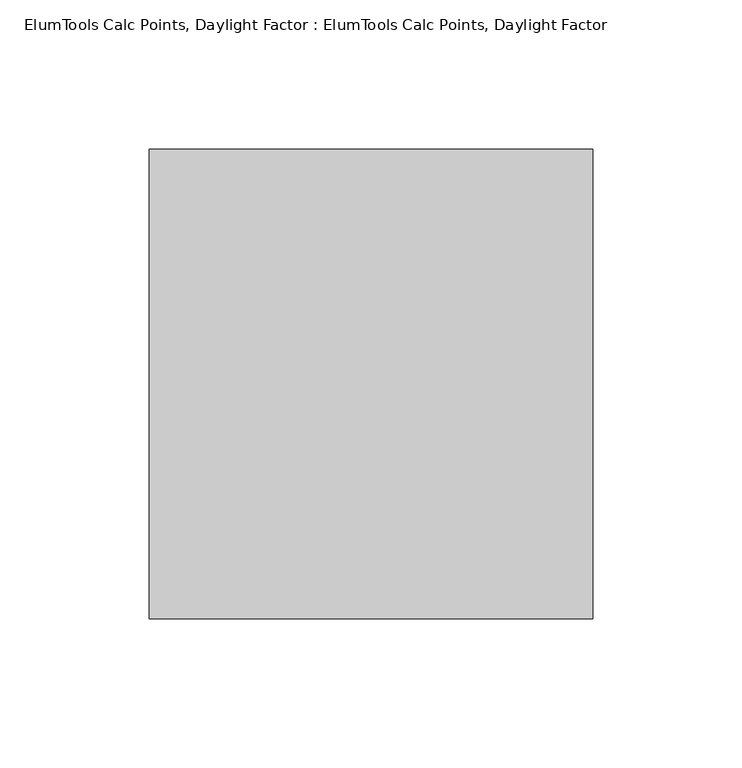
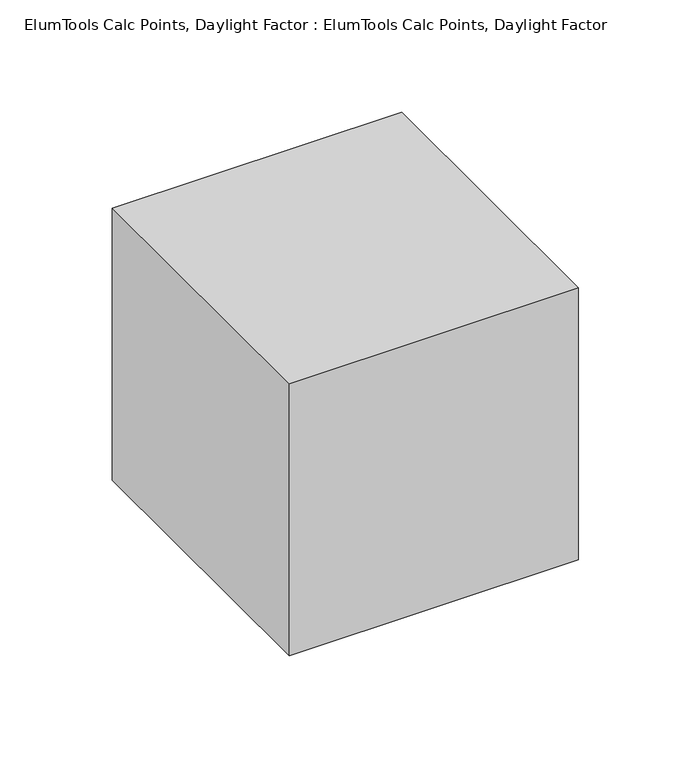
"""IFC4 building model written with IfcOpenShell, lengths in millimetres: proxy geometry, ElumTools Calc Points, Daylight Factor : ElumTools Calc Points, Daylight Factor."""

from ifc_helpers import new_model, si_unit, origin, origin_with_axes, place, context, project, spatial, polyline, outline, extrude, source, transform, mapped, element, save


def elumtools_calc_points_daylight_factor_elumtools_calc_points_47fc0e64(model_context):
    return source(origin(), model_context, "Body", "SweptSolid", [
        extrude(outline(polyline([(-74.3711584, -78.737966), (-74.3711584, 78.737966), (74.3711584, 78.737966), (74.3711584, -78.737966), (-74.3711584, -78.737966)])), origin_with_axes(), (0.0, 0.0, 1.0), 147.828),
    ])


if __name__ == "__main__":
    model = new_model("IFC4")
    model_context = context("Model", 3, world=origin())
    ifc_project = project(units=[si_unit("LENGTHUNIT", "METRE", prefix="MILLI")], contexts=[model_context])
    site = spatial("IfcSite", under=ifc_project)
    building = spatial("IfcBuilding", under=site)
    placement = place(None, origin())
    elumtools_calc_points_daylight_factor_elumtools_calc_points_shape = elumtools_calc_points_daylight_factor_elumtools_calc_points_47fc0e64(model_context)
    element("IfcBuildingElementProxy", 1, Name="ElumTools Calc Points, Daylight Factor : ElumTools Calc Points, Daylight Factor", ObjectType="ElumTools Calc Points, Daylight Factor : ElumTools Calc Points, Daylight Factor", at=placement, inside=building, context=model_context, shape_type="MappedRepresentation", body=[
        mapped(elumtools_calc_points_daylight_factor_elumtools_calc_points_shape, transform((0.0, 0.0, 0.0), x_axis=(1.0, 0.0, 0.0), y_axis=(0.0, 1.0, 0.0), z_axis=(0.0, 0.0, 1.0))),
    ])
    save(model, "model.ifc")
